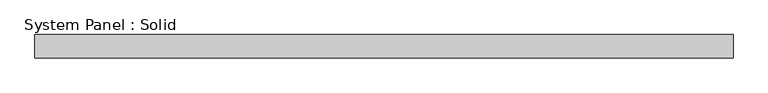
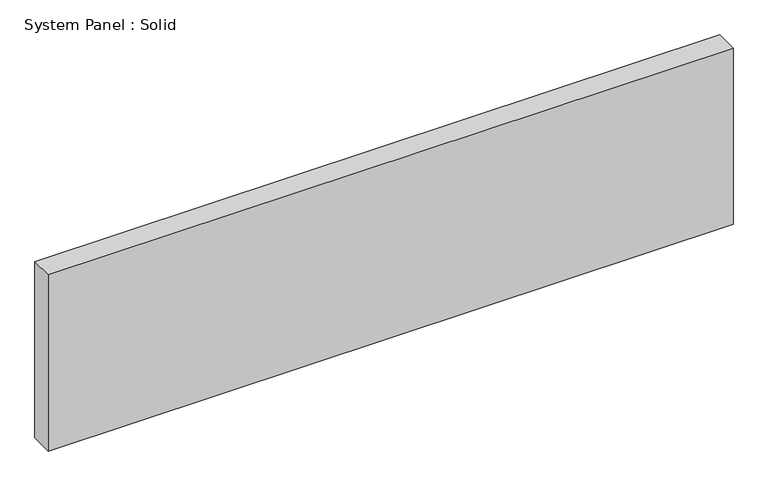
"""IFC4 building model written with IfcOpenShell, lengths in millimetres: plate geometry, System Panel : Solid."""

from ifc_helpers import new_model, si_unit, origin, origin_with_axes, place, context, project, spatial, polyline, outline, extrude, source, transform, mapped, element, save


def system_panel_solid_c3df10a1(model_context):
    return source(origin(), model_context, "Body", "SweptSolid", [
        extrude(outline(polyline([(895.5, -10.5), (-895.5, -10.5), (-895.5, 49.5), (895.5, 49.5), (895.5, -10.5)])), origin_with_axes(), (0.0, 0.0, 1.0), 487.0186763),
    ])


if __name__ == "__main__":
    model = new_model("IFC4")
    model_context = context("Model", 3, world=origin())
    ifc_project = project(units=[si_unit("LENGTHUNIT", "METRE", prefix="MILLI")], contexts=[model_context])
    site = spatial("IfcSite", under=ifc_project)
    building = spatial("IfcBuilding", under=site)
    placement = place(None, origin())
    system_panel_solid_shape = system_panel_solid_c3df10a1(model_context)
    element("IfcPlate", 1, ObjectType="System Panel : Solid", at=placement, inside=building, context=model_context, shape_type="MappedRepresentation", body=[
        mapped(system_panel_solid_shape, transform((0.0, 0.0, 0.0), x_axis=(1.0, 0.0, 0.0), y_axis=(0.0, 1.0, 0.0), z_axis=(0.0, 0.0, 1.0))),
    ])
    save(model, "model.ifc")
